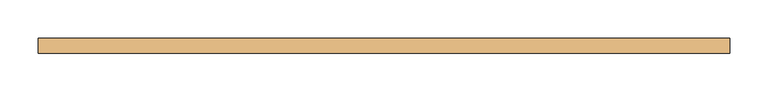
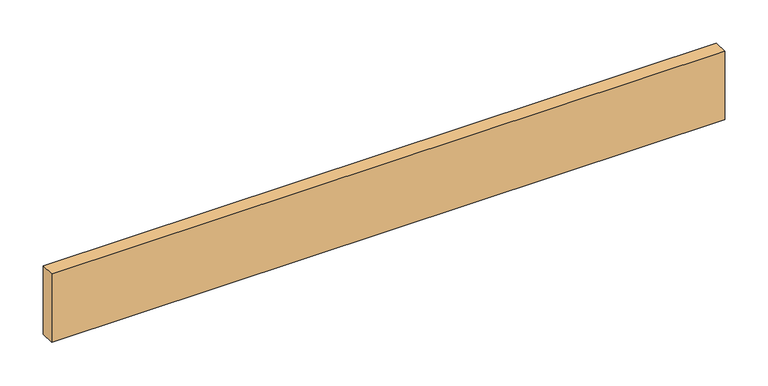
"""IFC4 building model written with IfcOpenShell, lengths in millimetres: door geometry."""

from ifc_helpers import new_model, si_unit, origin, origin_with_axes, place, context, project, spatial, polyline, outline, extrude, source, transform, mapped, element, save


def door_63ffa818(model_context):
    return source(origin(), model_context, "Body", "SweptSolid", [
        extrude(outline(polyline([(448.9704, 0.0), (-448.9704, 0.0), (-448.9704, 19.05), (448.9704, 19.05), (448.9704, 0.0)])), origin_with_axes(), (0.0, 0.0, 1.0), 96.52),
    ])


if __name__ == "__main__":
    model = new_model("IFC4")
    model_context = context("Model", 3, world=origin())
    ifc_project = project(units=[si_unit("LENGTHUNIT", "METRE", prefix="MILLI")], contexts=[model_context])
    site = spatial("IfcSite", under=ifc_project)
    building = spatial("IfcBuilding", under=site)
    placement = place(None, origin())
    door_shape = door_63ffa818(model_context)
    element("IfcDoor", 1, at=placement, inside=building, context=model_context, shape_type="MappedRepresentation", body=[
        mapped(door_shape, transform((0.0, 0.0, 0.0), x_axis=(1.0, 0.0, 0.0), y_axis=(0.0, 1.0, 0.0), z_axis=(0.0, 0.0, 1.0))),
    ])
    save(model, "model.ifc")
